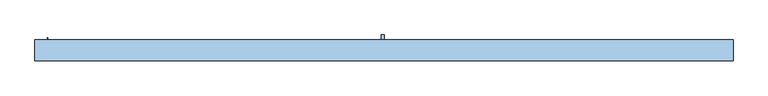
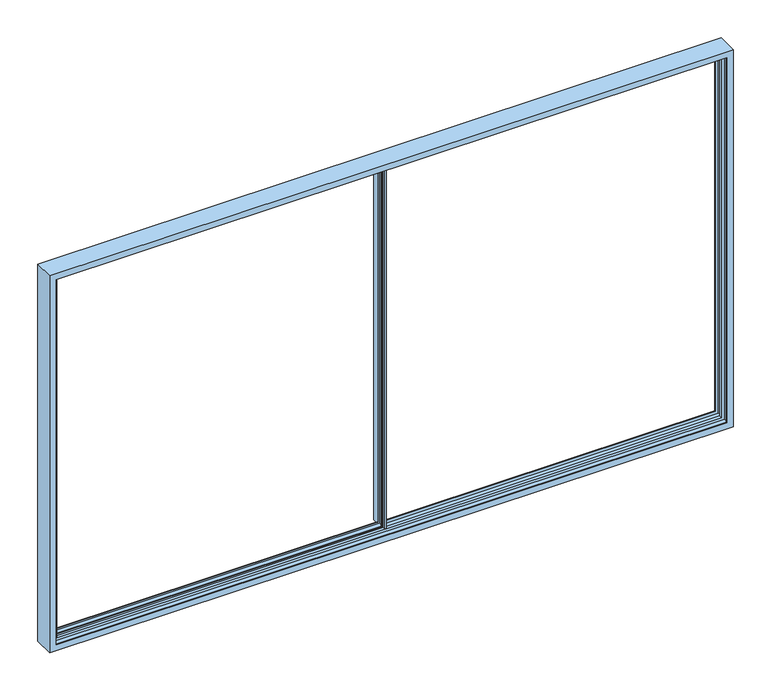
"""IFC4 building model written with IfcOpenShell, lengths in millimetres: window geometry."""

from ifc_helpers import new_model, si_unit, frame, origin, place, context, project, spatial, polyline, circle_curve, faceted_brep, source, transform, mapped, element, save
from ifc_brep_helpers import plane_surface, cylinder_surface, revolved_surface, advanced_brep


def window_c85b4d7b(model_context):
    return source(origin(), model_context, "Body", "SolidModel", [
        advanced_brep(
        [(-2968.3, -45.5, 830.4035056), (-2968.3, -45.5, 869.0), (-2968.3, -38.0, 869.0), (-2968.3, -38.0, 857.0), (-2968.3, 16.0, 857.0), (-2968.3, 16.0, 869.0), (-2968.3, 23.5, 869.0), (-2968.3, 23.5, 830.4035056), (0.0, -45.5, 830.4035056), (0.0, -45.5, 857.0), (-11.6, -45.5, 857.0), (-11.6, -45.5, 4243.0), (0.0, -45.5, 4243.0), (0.0, -45.5, 4257.5), (-2968.3, -45.5, 4257.5), (-2968.3, -45.5, 4231.0), (-2955.5, -45.5, 4231.0), (-2955.5, -45.5, 869.0), (-26.0, -45.5, 869.0), (-2884.5, -45.5, 869.0), (-2884.5, -45.5, 4231.0), (-26.0, -45.5, 4231.0), (-2891.8815605, -45.5, 4239.9999325), (-2886.5, -45.5, 4239.9999325), (-2886.5, -45.5, 860.0000675), (-2891.8815605, -45.5, 860.0000675), (-2955.5, -38.0, 869.0), (-26.0, -38.0, 869.0), (-2884.5, -38.0, 869.0), (-2955.5, -38.0, 860.0000675), (-2898.5, -38.0, 860.0000675), (-2898.5, -38.0, 4239.9999325), (-2884.5, -38.0, 4239.9999325), (-26.0, -38.0, 4243.0), (-10.0, -38.0, 4243.0), (-10.0, -38.0, 857.0), (-10.0, 16.0, 857.0), (-10.0, 16.0, 4243.0), (-25.0, 16.0, 4243.0), (-25.0, 16.0, 869.0), (-2884.5, 16.0, 869.0), (-2884.5, 16.0, 4239.9999325), (-2898.5, 16.0, 4239.9999325), (-2898.5, 16.0, 860.0000675), (-2955.5, 16.0, 860.0000675), (-2955.5, 16.0, 869.0), (-2955.5, 23.5, 869.0), (-25.0, 23.5, 869.0), (-2884.5, 23.5, 869.0), (-2955.5, 23.5, 4231.0), (-2968.3, 23.5, 4231.0), (-2968.3, 23.5, 4257.5), (0.0, 23.5, 4257.5), (0.0, 23.5, 4243.0), (-25.0, 23.5, 4243.0), (-25.0, 23.5, 4231.0), (-2884.5, 23.5, 4231.0), (-25.0, 23.5, 857.0), (0.0, 23.5, 857.0), (0.0, 23.5, 830.4035056), (-2886.5, 23.5, 4239.9999325), (-2891.8815605, 23.5, 4239.9999325), (-2891.8815605, 23.5, 860.0000675), (-2886.5, 23.5, 860.0000675), (0.0, 73.5, 857.0), (0.0, 73.5, 4243.0), (0.0, -71.5030983, 4243.0), (0.0, -71.5030983, 857.0), (-11.6, -71.5030983, 857.0), (-25.0, 73.5, 857.0), (-25.0, 73.5, 4243.0), (-11.6, -71.5030983, 4243.0), (-2955.5, -41.0, 4231.0), (-2955.5, -41.0, 4239.9999325), (-2955.5, 19.2263774, 4239.9999325), (-2955.5, 18.9049331, 4231.0), (-2884.6162149, -52.0695393, 4239.9999325), (-2884.6162149, -52.0695393, 860.0000675), (-2884.6162149, -54.5258588, 860.0000675), (-2889.2836563, -69.7923717, 860.0000675), (-2890.2399611, -70.5, 860.0000675), (-2893.0, -70.5, 860.0000675), (-2893.4747822, -69.8432139, 860.0000675), (-2887.739631, -54.4330365, 860.0000675), (-2887.626431, -52.4555341, 860.0000675), (-2888.9977754, -47.6730879, 860.0000675), (-2888.9977754, 25.6730879, 860.0000675), (-2887.626431, 30.4555341, 860.0000675), (-2887.739631, 32.4330365, 860.0000675), (-2893.4747822, 47.8432139, 860.0000675), (-2893.0, 48.5, 860.0000675), (-2890.2399611, 48.5, 860.0000675), (-2889.2836563, 47.7923717, 860.0000675), (-2884.6162149, 32.5258588, 860.0000675), (-2884.6162149, 30.0695393, 860.0000675), (-2888.9977754, -47.6730879, 4239.9999325), (-2884.5, -41.0, 4239.9999325), (-2884.5, -41.0, 4231.0), (-26.0, -41.0, 4231.0), (-26.0, -41.0, 4243.0), (-25.0, 19.3335287, 4243.0), (-25.0, 18.9049331, 4231.0), (-2884.5, 18.9049331, 4231.0), (-2884.5, 19.2263774, 4239.9999325), (-2888.9977754, 25.6730879, 4239.9999325), (-2884.6162149, 30.0695393, 4239.9999325), (-2887.626431, 30.4555341, 4239.9999325), (-2887.739631, 32.4330365, 4239.9999325), (-2893.4747822, 47.8432139, 4239.9999325), (-2893.0, 48.5, 4239.9999325), (-2890.2399611, 48.5, 4239.9999325), (-2889.2836563, 47.7923717, 4239.9999325), (-2884.6162149, 32.5258588, 4239.9999325), (-2884.6162149, -54.5258588, 4239.9999325), (-2889.2836563, -69.7923717, 4239.9999325), (-2890.2399611, -70.5, 4239.9999325), (-2893.0, -70.5, 4239.9999325), (-2893.4747822, -69.8432139, 4239.9999325), (-2887.739631, -54.4330365, 4239.9999325), (-2887.626431, -52.4555341, 4239.9999325), (-2968.3, 18.9049331, 4231.0), (-2968.3, 19.3335287, 4243.0), (-2968.3, -41.0, 4243.0), (-2968.3, -41.0, 4231.0)],
        [
            (0, 1),
            (1, 2),
            (2, 3),
            (3, 4),
            (4, 5),
            (5, 6),
            (6, 7),
            (7, 0),
            (0, 8),
            (8, 9),
            (9, 10),
            (10, 11),
            (11, 12),
            (12, 13),
            (13, 14),
            (14, 15),
            (15, 16),
            (16, 17),
            (17, 1),
            (18, 19),
            (19, 20),
            (20, 21),
            (21, 18),
            (22, 23),
            (23, 24),
            (24, 25),
            (25, 22),
            (17, 26),
            (26, 2),
            (18, 27),
            (27, 28),
            (28, 19),
            (26, 29),
            (29, 30),
            (30, 31),
            (31, 32),
            (32, 28),
            (27, 33),
            (33, 34),
            (34, 35),
            (35, 3),
            (35, 36),
            (36, 4),
            (36, 37),
            (37, 38),
            (38, 39),
            (39, 40),
            (40, 41),
            (41, 42),
            (42, 43),
            (43, 44),
            (44, 45),
            (45, 5),
            (45, 46),
            (46, 6),
            (39, 47),
            (47, 48),
            (48, 40),
            (46, 49),
            (49, 50),
            (50, 51),
            (51, 52),
            (52, 53),
            (53, 54),
            (54, 55),
            (55, 56),
            (56, 48),
            (47, 57),
            (57, 58),
            (58, 59),
            (59, 7),
            (60, 61),
            (61, 62),
            (62, 63),
            (63, 60),
            (59, 8),
            (58, 64),
            (64, 65),
            (65, 53),
            (52, 13),
            (12, 66),
            (66, 67),
            (67, 9),
            (67, 68),
            (68, 10),
            (69, 64),
            (57, 69),
            (70, 65),
            (69, 70),
            (66, 71),
            (71, 68),
            (71, 11),
            (16, 72),
            (72, 73),
            (73, 74),
            (74, 75),
            (75, 49),
            (44, 29),
            (23, 76),
            (76, 77),
            (77, 24),
            (77, 78, circle_curve(frame((-2888.8993168, -53.297699, 860.0000675), z_axis=(0.0, 0.0, -1.0), x_axis=(1.0, 0.0, 0.0)), 4.4557085)),
            (78, 79),
            (79, 80, circle_curve(frame((-2890.2399611, -69.5, 860.0000675), z_axis=(0.0, 0.0, -1.0), x_axis=(1.0, 0.0, 0.0)), 1.0)),
            (80, 81),
            (81, 82, circle_curve(frame((-2893.0, -70.0, 860.0000675), z_axis=(0.0, 0.0, -1.0), x_axis=(1.0, 0.0, 0.0)), 0.5)),
            (82, 83, circle_curve(frame((-2684.3068415, -138.9162025, 860.0000675), z_axis=(0.0, 0.0, -1.0), x_axis=(1.0, 0.0, 0.0)), 220.2777909)),
            (83, 84, circle_curve(frame((-2890.5102161, -53.2824462, 860.0000675), z_axis=(0.0, 0.0, 1.0), x_axis=(1.0, 0.0, 0.0)), 3.0)),
            (84, 85),
            (85, 25, circle_curve(frame((-2891.8815605, -48.5, 860.0000675), z_axis=(0.0, 0.0, 1.0), x_axis=(1.0, 0.0, 0.0)), 3.0)),
            (62, 86, circle_curve(frame((-2891.8815605, 26.5, 860.0000675), z_axis=(0.0, 0.0, 1.0), x_axis=(1.0, 0.0, 0.0)), 3.0)),
            (86, 87),
            (87, 88, circle_curve(frame((-2890.5102161, 31.2824462, 860.0000675), z_axis=(0.0, 0.0, 1.0), x_axis=(1.0, 0.0, 0.0)), 3.0)),
            (88, 89, circle_curve(frame((-2684.3068415, 116.9162025, 860.0000675), z_axis=(0.0, 0.0, -1.0), x_axis=(1.0, 0.0, 0.0)), 220.2777909)),
            (89, 90, circle_curve(frame((-2893.0, 48.0, 860.0000675), z_axis=(0.0, 0.0, -1.0), x_axis=(1.0, 0.0, 0.0)), 0.5)),
            (90, 91),
            (91, 92, circle_curve(frame((-2890.2399611, 47.5, 860.0000675), z_axis=(0.0, 0.0, -1.0), x_axis=(1.0, 0.0, 0.0)), 1.0)),
            (92, 93),
            (93, 94, circle_curve(frame((-2888.8993168, 31.297699, 860.0000675), z_axis=(0.0, 0.0, -1.0), x_axis=(1.0, 0.0, 0.0)), 4.4557085)),
            (94, 63),
            (43, 30),
            (95, 22, circle_curve(frame((-2891.8815605, -48.5, 4239.9999325), z_axis=(0.0, 0.0, 1.0), x_axis=(1.0, 0.0, 0.0)), 3.0)),
            (85, 95),
            (32, 96),
            (96, 97),
            (97, 20),
            (21, 98),
            (98, 99),
            (99, 33),
            (42, 31),
            (34, 37),
            (38, 100),
            (100, 101),
            (101, 55),
            (54, 70),
            (56, 102),
            (102, 103),
            (103, 41),
            (61, 104, circle_curve(frame((-2891.8815605, 26.5, 4239.9999325), z_axis=(0.0, 0.0, 1.0), x_axis=(1.0, 0.0, 0.0)), 3.0)),
            (104, 86),
            (105, 60),
            (94, 105),
            (104, 106),
            (106, 87),
            (106, 107, circle_curve(frame((-2890.5102161, 31.2824462, 4239.9999325), z_axis=(0.0, 0.0, 1.0), x_axis=(1.0, 0.0, 0.0)), 3.0)),
            (107, 88),
            (107, 108, circle_curve(frame((-2684.3068415, 116.9162025, 4239.9999325), z_axis=(0.0, 0.0, -1.0), x_axis=(1.0, 0.0, 0.0)), 220.2777909)),
            (108, 89),
            (108, 109, circle_curve(frame((-2893.0, 48.0, 4239.9999325), z_axis=(0.0, 0.0, -1.0), x_axis=(1.0, 0.0, 0.0)), 0.5)),
            (109, 90),
            (109, 110),
            (110, 91),
            (110, 111, circle_curve(frame((-2890.2399611, 47.5, 4239.9999325), z_axis=(0.0, 0.0, -1.0), x_axis=(1.0, 0.0, 0.0)), 1.0)),
            (111, 92),
            (111, 112),
            (112, 93),
            (112, 105, circle_curve(frame((-2888.8993168, 31.297699, 4239.9999325), z_axis=(0.0, 0.0, -1.0), x_axis=(1.0, 0.0, 0.0)), 4.4557085)),
            (76, 113, circle_curve(frame((-2888.8993168, -53.297699, 4239.9999325), z_axis=(0.0, 0.0, -1.0), x_axis=(1.0, 0.0, 0.0)), 4.4557085)),
            (113, 78),
            (113, 114),
            (114, 79),
            (114, 115, circle_curve(frame((-2890.2399611, -69.5, 4239.9999325), z_axis=(0.0, 0.0, -1.0), x_axis=(1.0, 0.0, 0.0)), 1.0)),
            (115, 80),
            (115, 116),
            (116, 81),
            (116, 117, circle_curve(frame((-2893.0, -70.0, 4239.9999325), z_axis=(0.0, 0.0, -1.0), x_axis=(1.0, 0.0, 0.0)), 0.5)),
            (117, 82),
            (117, 118, circle_curve(frame((-2684.3068415, -138.9162025, 4239.9999325), z_axis=(0.0, 0.0, -1.0), x_axis=(1.0, 0.0, 0.0)), 220.2777909)),
            (118, 83),
            (118, 119, circle_curve(frame((-2890.5102161, -53.2824462, 4239.9999325), z_axis=(0.0, 0.0, 1.0), x_axis=(1.0, 0.0, 0.0)), 3.0)),
            (119, 84),
            (119, 95),
            (51, 14),
            (50, 120),
            (120, 121),
            (121, 122),
            (122, 123),
            (123, 15),
            (123, 72),
            (97, 98),
            (103, 74),
            (73, 96),
            (121, 100),
            (99, 122),
            (75, 120),
            (101, 102),
        ],
        [
            plane_surface(frame((-2968.3, -45.5, 869.0), z_axis=(-1.0, 0.0, 0.0), x_axis=(0.0, 0.0, 1.0))),
            plane_surface(frame((-2968.3, -45.5, 830.4035056), z_axis=(0.0, -1.0, 0.0), x_axis=(1.0, 0.0, 0.0))),
            plane_surface(frame((-2968.3, -45.5, 869.0), z_axis=(0.0, 0.0, 1.0), x_axis=(1.0, 0.0, 0.0))),
            plane_surface(frame((-2968.3, -38.0, 869.0), z_axis=(0.0, 1.0, 0.0), x_axis=(1.0, 0.0, 0.0))),
            plane_surface(frame((-2968.3, -38.0, 857.0), z_axis=(0.0, 0.0, 1.0), x_axis=(1.0, 0.0, 0.0))),
            plane_surface(frame((-2968.3, 16.0, 857.0), z_axis=(0.0, -1.0, 0.0), x_axis=(1.0, 0.0, 0.0))),
            plane_surface(frame((-2968.3, 16.0, 869.0), z_axis=(0.0, 0.0, 1.0), x_axis=(1.0, 0.0, 0.0))),
            plane_surface(frame((-2968.3, 23.5, 869.0), z_axis=(0.0, 1.0, 0.0), x_axis=(1.0, 0.0, 0.0))),
            plane_surface(frame((-2968.3, 23.5, 830.4035056), z_axis=(0.0, 0.0, -1.0), x_axis=(1.0, 0.0, 0.0))),
            plane_surface(frame((0.0, -45.5, 869.0), z_axis=(1.0, 0.0, 0.0), x_axis=(0.0, 0.0, -1.0))),
            plane_surface(frame((-25.0, 73.5, 857.0), z_axis=(0.0, 0.0, -1.0), x_axis=(1.0, 0.0, 0.0))),
            plane_surface(frame((0.0, 73.5, 4243.0), z_axis=(0.0, 1.0, 0.0), x_axis=(0.0, 0.0, -1.0))),
            plane_surface(frame((-11.6, -71.5030983, 4243.0), z_axis=(0.0, -1.0, 0.0), x_axis=(0.0, 0.0, -1.0))),
            plane_surface(frame((-11.6, -45.5, 4243.0), z_axis=(-1.0, 0.0, 0.0), x_axis=(0.0, 0.0, -1.0))),
            plane_surface(frame((-2955.5, 23.5, 4239.9999325), z_axis=(-1.0, 0.0, 0.0), x_axis=(0.0, 0.0, -1.0))),
            plane_surface(frame((-2884.6162149, -52.0695393, 4239.9999325), z_axis=(0.9612616959384896, 0.2756373558164037, 0.0), x_axis=(0.0, 0.0, -1.0))),
            plane_surface(frame((-2955.5, 23.5, 860.0000675), z_axis=(0.0, 0.0, -1.0), x_axis=(0.0, 1.0, 0.0))),
            revolved_surface(polyline([(-2888.8815605, -48.5, 860.0000675), (-2888.8815605, -48.5, 4239.9999325)]), (-2891.8815605, -48.5, 860.0000675), (0.0, 0.0, -1.0)),
            plane_surface(frame((-2884.5, -45.5, 4239.9999325), z_axis=(1.0, 0.0, 0.0), x_axis=(0.0, 0.0, -1.0))),
            plane_surface(frame((-26.0, -38.0, 4243.0), z_axis=(-1.0, 0.0, 0.0), x_axis=(0.0, 0.0, -1.0))),
            plane_surface(frame((-2898.5, -38.0, 4239.9999325), z_axis=(1.0, 0.0, 0.0), x_axis=(0.0, 0.0, -1.0))),
            plane_surface(frame((-10.0, 16.0, 4243.0), z_axis=(-1.0, 0.0, 0.0), x_axis=(0.0, 0.0, -1.0))),
            plane_surface(frame((-25.0, 73.5, 4243.0), z_axis=(-1.0, 0.0, 0.0), x_axis=(0.0, 0.0, -1.0))),
            plane_surface(frame((-2884.5, 16.0, 4239.9999325), z_axis=(1.0, 0.0, 0.0), x_axis=(0.0, 0.0, -1.0))),
            revolved_surface(polyline([(-2888.8815605, 26.5, 860.0000675), (-2888.8815605, 26.5, 4239.9999325)]), (-2891.8815605, 26.5, 860.0000675), (0.0, 0.0, -1.0)),
            plane_surface(frame((-2886.5, 23.5, 4239.9999325), z_axis=(0.9612616959384763, -0.2756373558164503, 0.0), x_axis=(0.0, 0.0, -1.0))),
            plane_surface(frame((-2887.626431, 30.4555341, 4239.9999325), z_axis=(-0.9612616959385678, 0.2756373558161312, 0.0), x_axis=(0.0, 0.0, -1.0))),
            revolved_surface(polyline([(-2887.5102161, 31.2824462, 860.0000675), (-2887.5102161, 31.2824462, 4239.9999325)]), (-2890.5102161, 31.2824462, 860.0000675), (0.0, 0.0, -1.0)),
            cylinder_surface(frame((-2684.3068415, 116.9162025, 860.0000675), z_axis=(0.0, 0.0, 1.0), x_axis=(1.0, 0.0, 0.0)), 220.2777909),
            cylinder_surface(frame((-2893.0, 48.0, 860.0000675), z_axis=(0.0, 0.0, 1.0), x_axis=(1.0, 0.0, 0.0)), 0.5),
            plane_surface(frame((-2890.2399611, 48.5, 4239.9999325), z_axis=(0.0, 1.0, 0.0), x_axis=(0.0, 0.0, -1.0))),
            cylinder_surface(frame((-2890.2399611, 47.5, 860.0000675), z_axis=(0.0, 0.0, 1.0), x_axis=(1.0, 0.0, 0.0)), 1.0),
            plane_surface(frame((-2884.6162149, 32.5258588, 4239.9999325), z_axis=(0.9563047559630105, 0.2923717047228188, 0.0), x_axis=(0.0, 0.0, -1.0))),
            cylinder_surface(frame((-2888.8993168, 31.297699, 860.0000675), z_axis=(0.0, 0.0, 1.0), x_axis=(1.0, 0.0, 0.0)), 4.4557085),
            cylinder_surface(frame((-2888.8993168, -53.297699, 860.0000675), z_axis=(0.0, 0.0, 1.0), x_axis=(1.0, 0.0, 0.0)), 4.4557085),
            plane_surface(frame((-2889.2836563, -69.7923717, 4239.9999325), z_axis=(0.9563047559631217, -0.292371704722455, 0.0), x_axis=(0.0, 0.0, -1.0))),
            cylinder_surface(frame((-2890.2399611, -69.5, 860.0000675), z_axis=(0.0, 0.0, 1.0), x_axis=(1.0, 0.0, 0.0)), 1.0),
            plane_surface(frame((-2893.0, -70.5, 4239.9999325), z_axis=(0.0, -1.0, 0.0), x_axis=(0.0, 0.0, -1.0))),
            cylinder_surface(frame((-2893.0, -70.0, 860.0000675), z_axis=(0.0, 0.0, 1.0), x_axis=(1.0, 0.0, 0.0)), 0.5),
            cylinder_surface(frame((-2684.3068415, -138.9162025, 860.0000675), z_axis=(0.0, 0.0, 1.0), x_axis=(1.0, 0.0, 0.0)), 220.2777909),
            revolved_surface(polyline([(-2887.5102161, -53.2824462, 860.0000675), (-2887.5102161, -53.2824462, 4239.9999325)]), (-2890.5102161, -53.2824462, 860.0000675), (0.0, 0.0, -1.0)),
            plane_surface(frame((-2888.9977754, -47.6730879, 4239.9999325), z_axis=(-0.9612616959388794, -0.27563735581504445, 0.0), x_axis=(0.0, 0.0, -1.0))),
            plane_surface(frame((-25.0, 73.5, 4243.0), z_axis=(0.0, 0.0, 1.0), x_axis=(-1.0, 0.0, 0.0))),
            plane_surface(frame((-2968.3, -45.5, 4257.5), z_axis=(0.0, 0.0, 1.0), x_axis=(1.0, 0.0, 0.0))),
            plane_surface(frame((-2968.3, -45.5, 4231.0), z_axis=(-1.0, 0.0, 0.0), x_axis=(0.0, 0.0, 1.0))),
            plane_surface(frame((-2968.3, -41.0, 4231.0), z_axis=(0.0, 0.0, -1.0), x_axis=(1.0, 0.0, 0.0))),
            plane_surface(frame((-2955.5, 23.5, 4239.9999325), z_axis=(0.0, 0.0, 1.0), x_axis=(0.0, -1.0, 0.0))),
            plane_surface(frame((-2968.3, 19.3335287, 4243.0), z_axis=(0.0, 0.0, -1.0), x_axis=(1.0, 0.0, 0.0))),
            plane_surface(frame((-2968.3, 23.5, 4231.0), z_axis=(0.0, 0.0, -1.0), x_axis=(1.0, 0.0, 0.0))),
            plane_surface(frame((-2968.3, 18.9049331, 4231.0), z_axis=(0.0, -0.9993627824817873, 0.035693542696963086), x_axis=(1.0, 0.0, 0.0))),
            plane_surface(frame((-2968.3, -41.0, 4243.0), z_axis=(0.0, 1.0, 0.0), x_axis=(1.0, 0.0, 0.0))),
        ],
        [
            (0, [[1, 2, 3, 4, 5, 6, 7, 8]]),
            (1, [[-1, 9, 10, 11, 12, 13, 14, 15, 16, 17, 18, 19], [20, 21, 22, 23], [24, 25, 26, 27]]),
            (2, [[-2, -19, 28, 29]]),
            (2, [[30, 31, 32, -20]]),
            (3, [[-3, -29, 33, 34, 35, 36, 37, -31, 38, 39, 40, 41]]),
            (4, [[-4, -41, 42, 43]]),
            (5, [[-5, -43, 44, 45, 46, 47, 48, 49, 50, 51, 52, 53]]),
            (6, [[-6, -53, 54, 55]]),
            (6, [[56, 57, 58, -47]]),
            (7, [[-7, -55, 59, 60, 61, 62, 63, 64, 65, 66, 67, -57, 68, 69, 70, 71], [72, 73, 74, 75]]),
            (8, [[-8, -71, 76, -9]]),
            (9, [[-76, -70, 77, 78, 79, -63, 80, -14, 81, 82, 83, -10]]),
            (10, [[84, 85, -11, -83]]),
            (10, [[86, -77, -69, 87]]),
            (11, [[88, -78, -86, 89]]),
            (12, [[90, 91, -84, -82]]),
            (13, [[92, -12, -85, -91]]),
            (14, [[-18, 93, 94, 95, 96, 97, -59, -54, -52, 98, -33, -28]]),
            (15, [[-25, 99, 100, 101]]),
            (16, [[-101, 102, 103, 104, 105, 106, 107, 108, 109, 110, -26]]),
            (16, [[111, 112, 113, 114, 115, 116, 117, 118, 119, 120, -74]]),
            (16, [[121, -34, -98, -51]]),
            (17, [[122, -27, -110, 123]]),
            (18, [[-21, -32, -37, 124, 125, 126]]),
            (19, [[-38, -30, -23, 127, 128, 129]]),
            (20, [[-50, 130, -35, -121]]),
            (21, [[-42, -40, 131, -44]]),
            (22, [[-89, -87, -68, -56, -46, 132, 133, 134, -65, 135]]),
            (23, [[-48, -58, -67, 136, 137, 138]]),
            (24, [[-73, 139, 140, -111]]),
            (25, [[141, -75, -120, 142]]),
            (26, [[143, 144, -112, -140]]),
            (27, [[145, 146, -113, -144]]),
            (28, [[147, 148, -114, -146]]),
            (29, [[149, 150, -115, -148]]),
            (30, [[151, 152, -116, -150]]),
            (31, [[153, 154, -117, -152]]),
            (32, [[155, 156, -118, -154]]),
            (33, [[157, -142, -119, -156]]),
            (34, [[158, 159, -102, -100]]),
            (35, [[160, 161, -103, -159]]),
            (36, [[162, 163, -104, -161]]),
            (37, [[164, 165, -105, -163]]),
            (38, [[166, 167, -106, -165]]),
            (39, [[168, 169, -107, -167]]),
            (40, [[170, 171, -108, -169]]),
            (41, [[172, -123, -109, -171]]),
            (42, [[-88, -135, -64, -79]]),
            (42, [[-92, -90, -81, -13]]),
            (43, [[173, -15, -80, -62]]),
            (44, [[-16, -173, -61, 174, 175, 176, 177, 178]]),
            (45, [[-178, 179, -93, -17]]),
            (45, [[-127, -22, -126, 180]]),
            (46, [[-122, -172, -170, -168, -166, -164, -162, -160, -158, -99, -24]]),
            (46, [[-36, -130, -49, -138, 181, -95, 182, -124]]),
            (46, [[-141, -157, -155, -153, -151, -149, -147, -145, -143, -139, -72]]),
            (47, [[-176, 183, -132, -45, -131, -39, -129, 184]]),
            (48, [[-174, -60, -97, 185]]),
            (48, [[-134, 186, -136, -66]]),
            (49, [[-175, -185, -96, -181, -137, -186, -133, -183]]),
            (50, [[-177, -184, -128, -180, -125, -182, -94, -179]]),
        ],
    ),
        faceted_brep([(-2943.0, -48.2016382, 4243.0), (-2943.0, -71.8016382, 4243.0), (-2943.0, -71.8016382, 857.0), (-2943.0, -48.2016382, 857.0), (-2969.5, -71.8016382, 4269.5), (-2969.5, -71.8016382, 830.5), (2969.5, -71.8016382, 830.5), (2969.5, -71.8016382, 4269.5), (2943.0, -71.8016382, 4243.0), (2943.0, -71.8016382, 857.0), (2943.0, -48.2016382, 857.0), (2969.5, -48.2016382, 4269.5), (2969.5, -48.2016382, 830.5), (-2969.5, -48.2016382, 830.5), (-2969.5, -48.2016382, 4269.5), (2943.0, -48.2016382, 4243.0), (-3000.0, -150.0, 4300.0), (-3000.0, 30.0, 4300.0), (-3000.0, 30.0, 800.0), (-3000.0, -150.0, 800.0), (3000.0, 30.0, 4300.0), (3000.0, 30.0, 800.0), (-2943.0, 30.0, 4243.0), (-2943.0, 30.0, 857.0), (2943.0, 30.0, 857.0), (2943.0, 30.0, 4243.0), (3000.0, -150.0, 800.0), (3000.0, -150.0, 4300.0), (2943.0, -150.0, 4243.0), (2943.0, -150.0, 857.0), (-2943.0, -150.0, 857.0), (-2943.0, -150.0, 4243.0), (-2943.0, 25.7, 4243.0), (-2943.0, 25.7, 857.0), (2943.0, 25.7, 857.0), (2943.0, 25.7, 4243.0), (2943.0, -145.6, 857.0), (2943.0, -145.6, 4243.0), (-2943.0, -145.6, 857.0), (-2943.0, -145.6, 4243.0), (2969.5, -145.6, 4269.5), (2969.5, -145.6, 830.5), (-2969.5, -145.6, 830.5), (-2969.5, -145.6, 4269.5), (-2969.5, 25.7, 4269.5), (-2969.5, 25.7, 830.5), (2969.5, 25.7, 830.5), (2969.5, 25.7, 4269.5)], [[[0, 1, 2, 3]], [[4, 5, 6, 7], [8, 9, 2, 1]], [[3, 2, 9, 10]], [[11, 12, 13, 14], [0, 3, 10, 15]], [[16, 17, 18, 19]], [[20, 21, 18, 17], [22, 23, 24, 25]], [[19, 18, 21, 26]], [[16, 19, 26, 27], [28, 29, 30, 31]], [[10, 9, 8, 15]], [[26, 21, 20, 27]], [[22, 32, 33, 23]], [[23, 33, 34, 24]], [[24, 34, 35, 25]], [[36, 29, 28, 37]], [[38, 30, 29, 36]], [[39, 31, 30, 38]], [[40, 41, 42, 43], [39, 38, 36, 37]], [[6, 41, 40, 7]], [[5, 42, 41, 6]], [[4, 43, 42, 5]], [[44, 14, 13, 45]], [[45, 13, 12, 46]], [[44, 45, 46, 47], [35, 34, 33, 32]], [[46, 12, 11, 47]], [[15, 8, 1, 0]], [[27, 20, 17, 16]], [[25, 35, 32, 22]], [[37, 28, 31, 39]], [[7, 40, 43, 4]], [[47, 11, 14, 44]]]),
    ])


if __name__ == "__main__":
    model = new_model("IFC4")
    model_context = context("Model", 3, world=origin())
    ifc_project = project(units=[si_unit("LENGTHUNIT", "METRE", prefix="MILLI")], contexts=[model_context])
    site = spatial("IfcSite", under=ifc_project)
    building = spatial("IfcBuilding", under=site)
    placement = place(None, origin())
    window_shape = window_c85b4d7b(model_context)
    element("IfcWindow", 1, at=placement, inside=building, context=model_context, shape_type="MappedRepresentation", body=[
        mapped(window_shape, transform((0.0, 0.0, 0.0), x_axis=(1.0, 0.0, 0.0), y_axis=(0.0, 1.0, 0.0), z_axis=(0.0, 0.0, 1.0))),
    ])
    save(model, "model.ifc")
